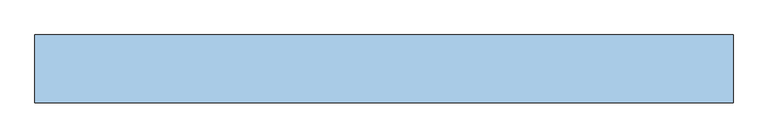
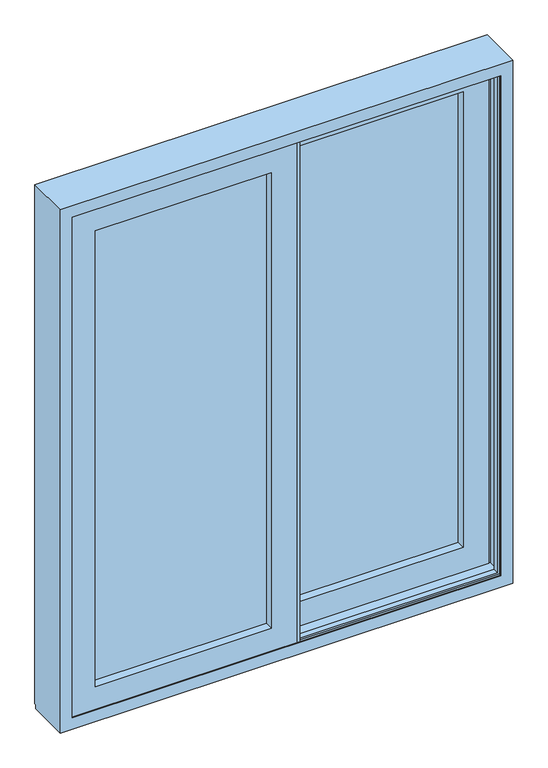
"""IFC4 building model written with IfcOpenShell, lengths in millimetres: window geometry."""

from ifc_helpers import new_model, si_unit, frame, origin, place, context, project, spatial, polyline, outline, extrude, faceted_brep, source, transform, mapped, element, save


def window_4d00bcbf(model_context):
    return source(origin(), model_context, "Body", "SolidModel", [
        extrude(outline(polyline([(56.5, 74.6), (758.0, 74.6), (758.0, 46.6), (56.5, 46.6), (56.5, 74.6)])), frame((0.0, 0.0, 142.0), z_axis=(0.0, 0.0, 1.0), x_axis=(1.0, 0.0, 0.0)), (0.0, 0.0, 1.0), 1916.0),
        extrude(outline(polyline([(-56.5, -43.4), (-758.0, -43.4), (-758.0, -15.4), (-56.5, -15.4), (-56.5, -43.4)])), frame((0.0, 0.0, 142.0), z_axis=(0.0, 0.0, 1.0), x_axis=(1.0, 0.0, 0.0)), (0.0, 0.0, 1.0), 1916.0),
        extrude(outline(polyline([(-56.5, 82.6), (-46.5, 82.6), (-46.5, -1.4), (-56.5, -1.4), (-56.5, 82.6)])), frame((0.0, 0.0, 34.0), z_axis=(0.0, 0.0, 1.0), x_axis=(1.0, 0.0, 0.0)), (0.0, 0.0, 1.0), 2127.0),
        extrude(outline(polyline([(56.5, -77.4), (46.5, -77.4), (46.5, 8.6), (56.5, 8.6), (56.5, -77.4)])), frame((0.0, 0.0, 34.0), z_axis=(0.0, 0.0, 1.0), x_axis=(1.0, 0.0, 0.0)), (0.0, 0.0, 1.0), 2127.0),
        faceted_brep([(56.5, 82.6, 2058.0), (56.5, 12.6, 2058.0), (56.5, 12.6, 142.0), (56.5, 82.6, 142.0), (758.0, 12.6, 142.0), (758.0, 82.6, 142.0), (861.0, 12.6, 39.0), (861.0, 12.6, 2161.0), (-46.5, 12.6, 2161.0), (-46.5, 12.6, 39.0), (758.0, 12.6, 2058.0), (758.0, 82.6, 2058.0), (-46.5, 82.6, 39.0), (-46.5, 82.6, 2161.0), (861.0, 82.6, 2161.0), (861.0, 82.6, 39.0), (-46.5, 70.2, 2161.0), (-46.5, 70.2, 39.0), (861.0, 70.2, 39.0), (861.0, 70.2, 2161.0), (-15.4, 70.2, 70.1), (-15.4, 70.2, 2129.9), (829.9, 70.2, 2129.9), (829.9, 70.2, 70.1), (-15.4, 25.0, 2129.9), (-15.4, 25.0, 70.1), (829.9, 25.0, 70.1), (829.9, 25.0, 2129.9), (-46.5, 25.0, 39.0), (-46.5, 25.0, 2161.0), (861.0, 25.0, 2161.0), (861.0, 25.0, 39.0)], [[[0, 1, 2, 3]], [[3, 2, 4, 5]], [[6, 7, 8, 9], [2, 1, 10, 4]], [[5, 4, 10, 11]], [[12, 13, 14, 15], [5, 11, 0, 3]], [[16, 13, 12, 17]], [[17, 12, 15, 18]], [[18, 15, 14, 19]], [[18, 19, 16, 17], [20, 21, 22, 23]], [[24, 21, 20, 25]], [[25, 20, 23, 26]], [[26, 23, 22, 27]], [[28, 29, 30, 31], [26, 27, 24, 25]], [[8, 29, 28, 9]], [[9, 28, 31, 6]], [[6, 31, 30, 7]], [[11, 10, 1, 0]], [[19, 14, 13, 16]], [[27, 22, 21, 24]], [[7, 30, 29, 8]]]),
        faceted_brep([(46.5, -65.0, 2161.0), (46.5, -77.4, 2161.0), (46.5, -77.4, 39.0), (46.5, -65.0, 39.0), (-861.0, -77.4, 2161.0), (-861.0, -77.4, 39.0), (-56.5, -77.4, 142.0), (-758.0, -77.4, 142.0), (-758.0, -77.4, 2058.0), (-56.5, -77.4, 2058.0), (-861.0, -65.0, 39.0), (-861.0, -65.0, 2161.0), (15.4, -65.0, 2129.9), (-829.9, -65.0, 2129.9), (-829.9, -65.0, 70.1), (15.4, -65.0, 70.1), (15.4, -19.8, 2129.9), (15.4, -19.8, 70.1), (-829.9, -19.8, 70.1), (46.5, -19.8, 2161.0), (-861.0, -19.8, 2161.0), (-861.0, -19.8, 39.0), (46.5, -19.8, 39.0), (-829.9, -19.8, 2129.9), (46.5, -7.4, 2161.0), (46.5, -7.4, 39.0), (-861.0, -7.4, 39.0), (-861.0, -7.4, 2161.0), (-56.5, -7.4, 2058.0), (-758.0, -7.4, 2058.0), (-758.0, -7.4, 142.0), (-56.5, -7.4, 142.0)], [[[0, 1, 2, 3]], [[1, 4, 5, 2], [6, 7, 8, 9]], [[3, 2, 5, 10]], [[3, 10, 11, 0], [12, 13, 14, 15]], [[16, 12, 15, 17]], [[17, 15, 14, 18]], [[19, 20, 21, 22], [17, 18, 23, 16]], [[24, 19, 22, 25]], [[25, 22, 21, 26]], [[25, 26, 27, 24], [28, 29, 30, 31]], [[9, 28, 31, 6]], [[6, 31, 30, 7]], [[10, 5, 4, 11]], [[18, 14, 13, 23]], [[26, 21, 20, 27]], [[7, 30, 29, 8]], [[11, 4, 1, 0]], [[23, 13, 12, 16]], [[27, 20, 19, 24]], [[8, 29, 28, 9]]]),
        faceted_brep([(-900.0, 84.0, 17.0), (-900.0, 91.1, 17.0), (-852.0, 91.1, 17.0), (-852.0, 84.0, 17.0), (-883.7, 84.0, 17.0), (-900.0, 84.0, 0.0), (-900.0, -84.0, 0.0), (-900.0, -84.0, 2200.0), (-900.0, 91.1, 2200.0), (900.0, 91.1, 2200.0), (900.0, 91.1, 17.0), (852.0, 91.1, 17.0), (852.0, 91.1, 2152.0), (-852.0, 91.1, 2152.0), (-852.0, 84.0, 2152.0), (852.0, 84.0, 2152.0), (852.0, 84.0, 17.0), (883.7, 84.0, 17.0), (883.7, 84.0, 2183.7), (-883.7, 84.0, 2183.7), (900.0, 84.0, 0.0), (-883.7, 84.0, 16.3), (883.7, 84.0, 16.3), (900.0, 84.0, 17.0), (900.0, -84.0, 2200.0), (900.0, -84.0, 0.0), (883.7, 52.1, 2183.7), (883.7, 52.1, 16.3), (-883.7, 52.1, 16.3), (-883.7, 52.1, 2183.7), (860.0, 52.1, 40.0), (860.0, 52.1, 2160.0), (-860.0, 52.1, 2160.0), (-860.0, 52.1, 40.0), (860.0, 66.1, 2160.0), (860.0, 66.1, 40.0), (-860.0, 66.1, 40.0), (-860.0, 66.1, 2160.0), (852.0, 66.1, 48.0), (852.0, 66.1, 2152.0), (-852.0, 66.1, 2152.0), (-852.0, 66.1, 48.0), (852.0, 43.1, 2152.0), (852.0, 43.1, 48.0), (-852.0, 43.1, 48.0), (883.7, 43.1, 16.3), (883.7, 43.1, 2183.7), (-883.7, 43.1, 2183.7), (-883.7, 43.1, 16.3), (-852.0, 43.1, 2152.0), (883.7, -37.9, 2183.7), (883.7, -37.9, 16.3), (-883.7, -37.9, 16.3), (-883.7, -37.9, 2183.7), (852.0, -37.9, 48.0), (852.0, -37.9, 2152.0), (-852.0, -37.9, 2152.0), (-852.0, -37.9, 48.0), (852.0, -60.9, 2152.0), (852.0, -60.9, 48.0), (-852.0, -60.9, 48.0), (860.0, -60.9, 40.0), (860.0, -60.9, 2160.0), (-860.0, -60.9, 2160.0), (-860.0, -60.9, 40.0), (-852.0, -60.9, 2152.0), (860.0, -46.9, 2160.0), (860.0, -46.9, 40.0), (-860.0, -46.9, 40.0), (883.7, -46.9, 16.3), (883.7, -46.9, 2183.7), (-883.7, -46.9, 2183.7), (-883.7, -46.9, 16.3), (-860.0, -46.9, 2160.0), (883.7, -80.2, 2183.7), (883.7, -80.2, 16.3), (-883.7, -80.2, 16.3), (-883.7, -80.2, 2183.7), (852.0, -80.2, 48.0), (852.0, -80.2, 2152.0), (-852.0, -80.2, 2152.0), (-852.0, -80.2, 48.0), (852.0, -84.0, 2152.0), (852.0, -84.0, 48.0), (-852.0, -84.0, 48.0), (-852.0, -84.0, 2152.0)], [[[0, 1, 2, 3, 4]], [[1, 0, 5, 6, 7, 8]], [[2, 1, 8, 9, 10, 11, 12, 13]], [[3, 2, 13, 14]], [[3, 14, 15, 16, 17, 18, 19, 4]], [[20, 5, 0, 4, 21, 22, 17, 23]], [[16, 11, 10, 23, 17]], [[11, 16, 15, 12]], [[23, 10, 9, 24, 25, 20]], [[26, 18, 17, 22, 27]], [[27, 22, 21, 28]], [[26, 27, 28, 29], [30, 31, 32, 33]], [[34, 31, 30, 35]], [[35, 30, 33, 36]], [[34, 35, 36, 37], [38, 39, 40, 41]], [[42, 39, 38, 43]], [[43, 38, 41, 44]], [[45, 46, 47, 48], [42, 43, 44, 49]], [[50, 46, 45, 51]], [[51, 45, 48, 52]], [[50, 51, 52, 53], [54, 55, 56, 57]], [[58, 55, 54, 59]], [[59, 54, 57, 60]], [[61, 62, 63, 64], [58, 59, 60, 65]], [[66, 62, 61, 67]], [[67, 61, 64, 68]], [[69, 70, 71, 72], [66, 67, 68, 73]], [[74, 70, 69, 75]], [[75, 69, 72, 76]], [[74, 75, 76, 77], [78, 79, 80, 81]], [[82, 79, 78, 83]], [[83, 78, 81, 84]], [[25, 24, 7, 6], [82, 83, 84, 85]], [[20, 25, 6, 5]], [[28, 21, 4, 19, 29]], [[36, 33, 32, 37]], [[44, 41, 40, 49]], [[52, 48, 47, 53]], [[60, 57, 56, 65]], [[68, 64, 63, 73]], [[76, 72, 71, 77]], [[84, 81, 80, 85]], [[18, 26, 29, 19]], [[31, 34, 37, 32]], [[39, 42, 49, 40]], [[46, 50, 53, 47]], [[55, 58, 65, 56]], [[62, 66, 73, 63]], [[70, 74, 77, 71]], [[79, 82, 85, 80]], [[8, 7, 24, 9]], [[15, 14, 13, 12]]]),
    ])


if __name__ == "__main__":
    model = new_model("IFC4")
    model_context = context("Model", 3, world=origin())
    ifc_project = project(units=[si_unit("LENGTHUNIT", "METRE", prefix="MILLI")], contexts=[model_context])
    site = spatial("IfcSite", under=ifc_project)
    building = spatial("IfcBuilding", under=site)
    placement = place(None, origin())
    window_shape = window_4d00bcbf(model_context)
    element("IfcWindow", 1, at=placement, inside=building, context=model_context, shape_type="MappedRepresentation", body=[
        mapped(window_shape, transform((0.0, 0.0, 0.0), x_axis=(1.0, 0.0, 0.0), y_axis=(0.0, 1.0, 0.0), z_axis=(0.0, 0.0, 1.0))),
    ])
    save(model, "model.ifc")
